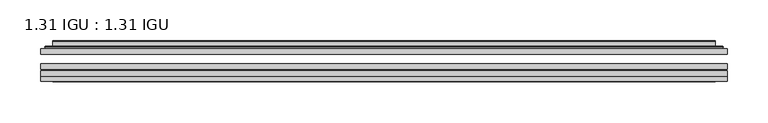
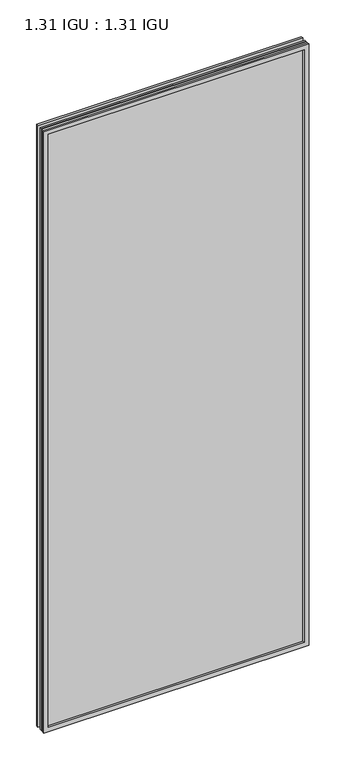
"""IFC4 building model written with IfcOpenShell, lengths in millimetres: plate geometry, 1.31 IGU : 1.31 IGU."""

from ifc_helpers import new_model, si_unit, frame, origin, place, context, project, spatial, polyline, ellipse_curve, outline, extrude, faceted_brep, source, transform, mapped, element, save
from ifc_brep_helpers import plane_surface, cylinder_surface, advanced_brep


def plate_1_31_igu_1_31_igu_ca94d677(model_context):
    return source(origin(), model_context, "Body", "SolidModel", [
        extrude(outline(polyline([(419.114175, -63.2975937), (419.114175, -69.6475938), (-419.1, -69.6475938), (-419.1, -63.2975937), (419.114175, -63.2975937)])), frame((0.0, 0.0, -14.2875), z_axis=(0.0, 0.0, 1.0), x_axis=(1.0, 0.0, 0.0)), (0.0, 0.0, 1.0), 2009.796575),
        extrude(outline(polyline([(-419.1, -78.2835938), (-419.1, -71.9330887), (419.114175, -71.9330887), (419.114175, -78.2835938), (-419.1, -78.2835938)])), frame((0.0, 0.0, -14.2875), z_axis=(0.0, 0.0, 1.0), x_axis=(1.0, 0.0, 0.0)), (0.0, 0.0, 1.0), 2009.796575),
        extrude(outline(polyline([(419.114175, -44.9587937), (419.114175, -51.3087938), (-419.1, -51.3087938), (-419.1, -44.9587937), (419.114175, -44.9587937)])), frame((0.0, 0.0, -14.2875), z_axis=(0.0, 0.0, 1.0), x_axis=(1.0, 0.0, 0.0)), (0.0, 0.0, 1.0), 2009.796575),
        faceted_brep([(-419.1127, -84.6335937, 1995.5179772), (-419.1127, -78.2835937, 1995.5179772), (-419.1127, -78.2835937, -14.3002), (-419.1127, -84.6335937, -14.3002), (419.1127, -78.2835937, -14.3002), (419.1127, -84.6335937, -14.3002), (419.1127, -78.2835937, 1995.5179772), (419.1127, -84.6335937, 1995.5179772), (-403.9147559, -78.2835937, 0.8977441), (403.9147559, -78.2835937, 0.8977441), (403.9147559, -78.2835937, 1980.320033), (-403.9147559, -78.2835937, 1980.320033), (-404.8071902, -84.6335937, 1981.2124673), (404.8071902, -84.6335937, 1981.2124673), (404.8071902, -84.6335937, 0.0053098), (-404.8071902, -84.6335937, 0.0053098)], [[[0, 1, 2, 3]], [[3, 2, 4, 5]], [[5, 4, 6, 7]], [[1, 6, 4, 2], [8, 9, 10, 11]], [[7, 6, 1, 0]], [[3, 5, 7, 0], [12, 13, 14, 15]], [[11, 12, 15, 8]], [[8, 15, 14, 9]], [[9, 14, 13, 10]], [[10, 13, 12, 11]]]),
        advanced_brep(
        [(-411.858719, -44.9587937, 1988.2639962), (-414.2129244, -42.9691271, 1990.6182015), (-414.2129244, -42.9691271, -9.4004244), (-411.858719, -44.9587937, -7.046219), (-402.7843939, -41.1187568, 1979.1896711), (-397.8495621, -44.9587937, 1974.2548392), (-397.8495621, -44.9587937, 6.9629379), (-402.7843939, -41.1187568, 2.0281061), (-403.8164217, -35.7215256, 1980.2216988), (-403.8164217, -35.7215256, 0.9960783), (-404.8070784, -35.3225507, 1981.2123556), (-404.8070784, -35.3225507, 0.0054216), (-404.8070784, -41.7837937, 1981.2123556), (-404.8070784, -41.7837937, 0.0054216), (-413.2111349, -41.7837937, 1989.616412), (-413.2111349, -41.7837937, -8.3986349), (414.2129244, -42.9691271, -9.4004244), (411.858719, -44.9587937, -7.046219), (397.8495621, -44.9587937, 6.9629379), (402.7843939, -41.1187568, 2.0281061), (403.8164217, -35.7215256, 0.9960783), (404.8070784, -35.3225507, 0.0054216), (404.8070784, -41.7837937, 0.0054216), (413.2111349, -41.7837937, -8.3986349), (414.2129244, -42.9691271, 1990.6182015), (411.858719, -44.9587937, 1988.2639962), (397.8495621, -44.9587937, 1974.2548392), (402.7843939, -41.1187568, 1979.1896711), (403.8164217, -35.7215256, 1980.2216988), (404.8070784, -35.3225507, 1981.2123556), (404.8070784, -41.7837937, 1981.2123556), (413.2111349, -41.7837937, 1989.616412)],
        [
            (0, 1, ellipse_curve(frame((-411.858719, -42.5711937, 1988.2639962), z_axis=(-0.7071067811865475, 0.0, -0.7071067811865475), x_axis=(-0.7071067811865474, 0.0, 0.7071067811865476)), 3.3765763, 2.3876)),
            (1, 2),
            (2, 3, ellipse_curve(frame((-411.858719, -42.5711937, -7.046219), z_axis=(-0.7071067811865475, 0.0, 0.7071067811865475), x_axis=(0.7071067811865474, 0.0, 0.7071067811865476)), 3.3765763, 2.3876)),
            (3, 0),
            (4, 5),
            (5, 6),
            (6, 7),
            (7, 4),
            (8, 4),
            (7, 9),
            (9, 8),
            (10, 8, ellipse_curve(frame((-404.4401219, -35.840786, 1980.845399), z_axis=(-0.7071067811865475, 0.0, -0.7071067811865475), x_axis=(-0.7071067811865474, 0.0, 0.7071067811865476)), 0.8980256, 0.635)),
            (9, 11, ellipse_curve(frame((-404.4401219, -35.840786, 0.3723781), z_axis=(-0.7071067811865475, 0.0, 0.7071067811865475), x_axis=(0.7071067811865474, 0.0, 0.7071067811865476)), 0.8980256, 0.635)),
            (11, 10),
            (12, 10),
            (11, 13),
            (13, 12),
            (1, 14, ellipse_curve(frame((-413.2111349, -42.7997937, 1989.616412), z_axis=(-0.7071067811865475, 0.0, -0.7071067811865475), x_axis=(-0.7071067811865474, 0.0, 0.7071067811865476)), 1.436841, 1.016)),
            (14, 15),
            (15, 2, ellipse_curve(frame((-413.2111349, -42.7997937, -8.3986349), z_axis=(-0.7071067811865475, 0.0, 0.7071067811865475), x_axis=(0.7071067811865474, 0.0, 0.7071067811865476)), 1.436841, 1.016)),
            (2, 16),
            (16, 17, ellipse_curve(frame((411.858719, -42.5711937, -7.046219), z_axis=(-0.7071067811865475, 0.0, -0.7071067811865475), x_axis=(-0.7071067811865476, 0.0, 0.7071067811865474)), 3.3765763, 2.3876)),
            (17, 3),
            (6, 18),
            (18, 19),
            (19, 7),
            (19, 20),
            (20, 9),
            (20, 21, ellipse_curve(frame((404.4401219, -35.840786, 0.3723781), z_axis=(-0.7071067811865475, 0.0, -0.7071067811865475), x_axis=(-0.7071067811865476, 0.0, 0.7071067811865474)), 0.8980256, 0.635)),
            (21, 11),
            (21, 22),
            (22, 13),
            (15, 23),
            (23, 16, ellipse_curve(frame((413.2111349, -42.7997937, -8.3986349), z_axis=(-0.7071067811865475, 0.0, -0.7071067811865475), x_axis=(-0.7071067811865476, 0.0, 0.7071067811865474)), 1.436841, 1.016)),
            (16, 24),
            (24, 25, ellipse_curve(frame((411.858719, -42.5711937, 1988.2639962), z_axis=(0.7071067811865475, 0.0, -0.7071067811865475), x_axis=(-0.7071067811865474, 0.0, -0.7071067811865476)), 3.3765763, 2.3876)),
            (25, 17),
            (18, 26),
            (26, 27),
            (27, 19),
            (27, 28),
            (28, 20),
            (28, 29, ellipse_curve(frame((404.4401219, -35.840786, 1980.845399), z_axis=(0.7071067811865475, 0.0, -0.7071067811865475), x_axis=(-0.7071067811865474, 0.0, -0.7071067811865476)), 0.8980256, 0.635)),
            (29, 21),
            (29, 30),
            (30, 22),
            (23, 31),
            (31, 24, ellipse_curve(frame((413.2111349, -42.7997937, 1989.616412), z_axis=(0.7071067811865475, 0.0, -0.7071067811865475), x_axis=(-0.7071067811865474, 0.0, -0.7071067811865476)), 1.436841, 1.016)),
            (24, 1),
            (0, 25),
            (5, 26),
            (4, 27),
            (8, 28),
            (10, 29),
            (12, 30),
            (14, 31),
        ],
        [
            cylinder_surface(frame((-411.858719, -42.5711937, 2012.9677772), z_axis=(0.0, 0.0, 1.0), x_axis=(-1.0, 0.0, 0.0)), 2.3876),
            plane_surface(frame((-397.8495621, -44.9587937, 1974.2548392), z_axis=(0.6141233906514794, 0.7892100234124821, 0.0), x_axis=(0.0, 0.0, -1.0))),
            plane_surface(frame((-402.7843939, -41.1187568, 1979.1896711), z_axis=(0.9822050625507729, 0.18781164793386076, 0.0), x_axis=(0.0, 0.0, -1.0))),
            cylinder_surface(frame((-404.4401219, -35.840786, 2012.9677772), z_axis=(0.0, 0.0, 1.0), x_axis=(-1.0, 0.0, 0.0)), 0.635),
            plane_surface(frame((-404.8070784, -35.3225507, 1981.2123556), z_axis=(-1.0, 0.0, 0.0), x_axis=(0.0, 0.0, -1.0))),
            cylinder_surface(frame((-413.2111349, -42.7997937, 2012.9677772), z_axis=(0.0, 0.0, 1.0), x_axis=(-1.0, 0.0, 0.0)), 1.016),
            cylinder_surface(frame((-436.5625, -42.5711937, -7.046219), z_axis=(-1.0, 0.0, 0.0), x_axis=(0.0, 0.0, -1.0)), 2.3876),
            plane_surface(frame((-397.8495621, -44.9587937, 6.9629379), z_axis=(0.0, 0.7892100234124841, 0.6141233906514768), x_axis=(1.0, 0.0, 0.0))),
            plane_surface(frame((-402.7843939, -41.1187568, 2.0281061), z_axis=(0.0, 0.18781164793386393, 0.9822050625507723), x_axis=(1.0, 0.0, 0.0))),
            cylinder_surface(frame((-436.5625, -35.840786, 0.3723781), z_axis=(-1.0, 0.0, 0.0), x_axis=(0.0, 0.0, -1.0)), 0.635),
            plane_surface(frame((-404.8070784, -35.3225507, 0.0054216), z_axis=(0.0, 0.0, -1.0), x_axis=(1.0, 0.0, 0.0))),
            cylinder_surface(frame((-436.5625, -42.7997937, -8.3986349), z_axis=(-1.0, 0.0, 0.0), x_axis=(0.0, 0.0, -1.0)), 1.016),
            cylinder_surface(frame((411.858719, -42.5711937, -31.75), z_axis=(0.0, 0.0, -1.0), x_axis=(1.0, 0.0, 0.0)), 2.3876),
            plane_surface(frame((397.8495621, -44.9587937, 6.9629379), z_axis=(-0.6141233906514743, 0.7892100234124861, 0.0), x_axis=(0.0, 0.0, 1.0))),
            plane_surface(frame((402.7843939, -41.1187568, 2.0281061), z_axis=(-0.9822050625507718, 0.1878116479338671, 0.0), x_axis=(0.0, 0.0, 1.0))),
            cylinder_surface(frame((404.4401219, -35.840786, -31.75), z_axis=(0.0, 0.0, -1.0), x_axis=(1.0, 0.0, 0.0)), 0.635),
            plane_surface(frame((404.8070784, -35.3225507, 0.0054216), z_axis=(1.0, 0.0, 0.0), x_axis=(0.0, 0.0, 1.0))),
            cylinder_surface(frame((413.2111349, -42.7997937, -31.75), z_axis=(0.0, 0.0, -1.0), x_axis=(1.0, 0.0, 0.0)), 1.016),
            cylinder_surface(frame((436.5625, -42.5711937, 1988.2639962), z_axis=(1.0, 0.0, 0.0), x_axis=(0.0, 0.0, 1.0)), 2.3876),
            plane_surface(frame((411.858719, -44.9587937, 1988.2639962), z_axis=(0.0, -1.0, 0.0), x_axis=(-1.0, 0.0, 0.0))),
            plane_surface(frame((397.8495621, -44.9587937, 1974.2548392), z_axis=(0.0, 0.7892100234124841, -0.6141233906514768), x_axis=(-1.0, 0.0, 0.0))),
            plane_surface(frame((402.7843939, -41.1187568, 1979.1896711), z_axis=(0.0, 0.18781164793386393, -0.9822050625507723), x_axis=(-1.0, 0.0, 0.0))),
            cylinder_surface(frame((436.5625, -35.840786, 1980.845399), z_axis=(1.0, 0.0, 0.0), x_axis=(0.0, 0.0, 1.0)), 0.635),
            plane_surface(frame((404.8070784, -35.3225507, 1981.2123556), z_axis=(0.0, 0.0, 1.0), x_axis=(-1.0, 0.0, 0.0))),
            plane_surface(frame((404.8070784, -41.7837937, 1981.2123556), z_axis=(0.0, 1.0, 0.0), x_axis=(-1.0, 0.0, 0.0))),
            cylinder_surface(frame((436.5625, -42.7997937, 1989.616412), z_axis=(1.0, 0.0, 0.0), x_axis=(0.0, 0.0, 1.0)), 1.016),
        ],
        [
            (0, [[1, 2, 3, 4]]),
            (1, [[5, 6, 7, 8]]),
            (2, [[9, -8, 10, 11]]),
            (3, [[12, -11, 13, 14]]),
            (4, [[15, -14, 16, 17]]),
            (5, [[18, 19, 20, -2]]),
            (6, [[-3, 21, 22, 23]]),
            (7, [[-7, 24, 25, 26]]),
            (8, [[-10, -26, 27, 28]]),
            (9, [[-13, -28, 29, 30]]),
            (10, [[-16, -30, 31, 32]]),
            (11, [[-20, 33, 34, -21]]),
            (12, [[-22, 35, 36, 37]]),
            (13, [[-25, 38, 39, 40]]),
            (14, [[-27, -40, 41, 42]]),
            (15, [[-29, -42, 43, 44]]),
            (16, [[-31, -44, 45, 46]]),
            (17, [[-34, 47, 48, -35]]),
            (18, [[-36, 49, -1, 50]]),
            (19, [[-23, -37, -50, -4], [51, -38, -24, -6]]),
            (20, [[-39, -51, -5, 52]]),
            (21, [[-41, -52, -9, 53]]),
            (22, [[-43, -53, -12, 54]]),
            (23, [[-45, -54, -15, 55]]),
            (24, [[56, -47, -33, -19], [-32, -46, -55, -17]]),
            (25, [[-48, -56, -18, -49]]),
        ],
    ),
    ])


if __name__ == "__main__":
    model = new_model("IFC4")
    model_context = context("Model", 3, world=origin())
    ifc_project = project(units=[si_unit("LENGTHUNIT", "METRE", prefix="MILLI")], contexts=[model_context])
    site = spatial("IfcSite", under=ifc_project)
    building = spatial("IfcBuilding", under=site)
    placement = place(None, origin())
    plate_1_31_igu_1_31_igu_shape = plate_1_31_igu_1_31_igu_ca94d677(model_context)
    element("IfcPlate", 1, ObjectType="1.31 IGU : 1.31 IGU", at=placement, inside=building, context=model_context, shape_type="MappedRepresentation", body=[
        mapped(plate_1_31_igu_1_31_igu_shape, transform((0.0, 0.0, 0.0), x_axis=(1.0, 0.0, 0.0), y_axis=(0.0, 1.0, 0.0), z_axis=(0.0, 0.0, 1.0))),
    ])
    save(model, "model.ifc")
